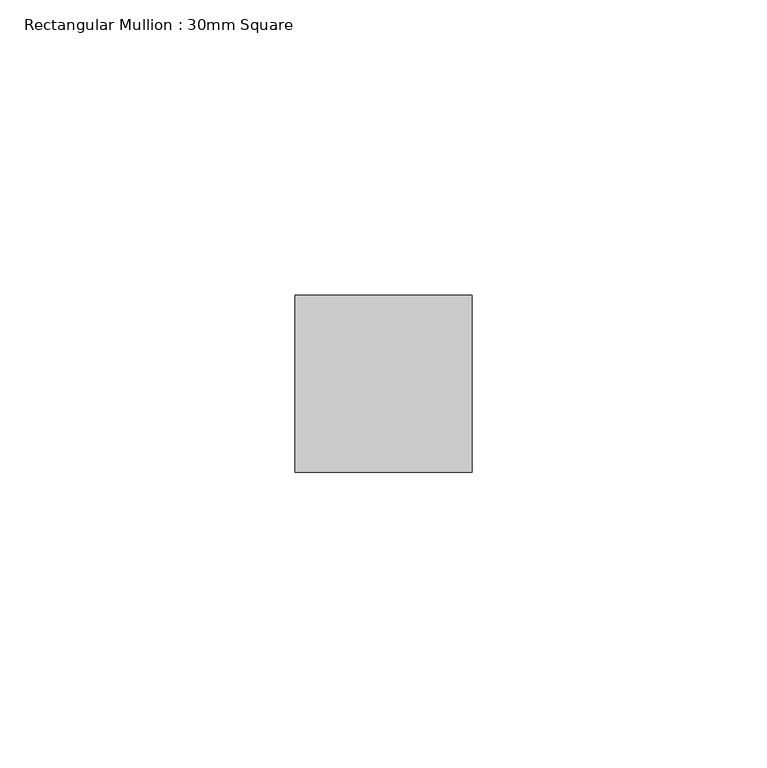
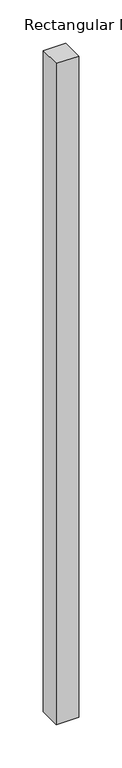
"""IFC4 building model written with IfcOpenShell, lengths in millimetres: member geometry, Rectangular Mullion : 30mm Square."""

from ifc_helpers import new_model, si_unit, frame, origin, place, context, project, spatial, polyline, outline, extrude, source, transform, mapped, element, save


def rectangular_mullion_30mm_square_3fb5cde0(model_context):
    return source(origin(), model_context, "Body", "SweptSolid", [
        extrude(outline(polyline([(15.0, 15.0), (15.0, -15.0), (-15.0, -15.0), (-15.0, 15.0), (15.0, 15.0)])), frame((0.0, 0.0, -935.6169642), z_axis=(0.0, 0.0, 1.0), x_axis=(1.0, 0.0, 0.0)), (0.0, 0.0, 1.0), 935.6169642),
    ])


if __name__ == "__main__":
    model = new_model("IFC4")
    model_context = context("Model", 3, world=origin())
    ifc_project = project(units=[si_unit("LENGTHUNIT", "METRE", prefix="MILLI")], contexts=[model_context])
    site = spatial("IfcSite", under=ifc_project)
    building = spatial("IfcBuilding", under=site)
    placement = place(None, origin())
    rectangular_mullion_30mm_square_shape = rectangular_mullion_30mm_square_3fb5cde0(model_context)
    element("IfcMember", 1, ObjectType="Rectangular Mullion : 30mm Square", at=placement, inside=building, context=model_context, shape_type="MappedRepresentation", body=[
        mapped(rectangular_mullion_30mm_square_shape, transform((0.0, 0.0, 0.0), x_axis=(1.0, 0.0, 0.0), y_axis=(0.0, 1.0, 0.0), z_axis=(0.0, 0.0, 1.0))),
    ])
    save(model, "model.ifc")
